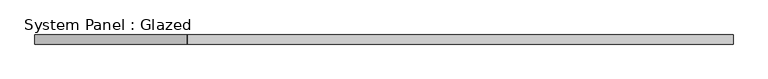
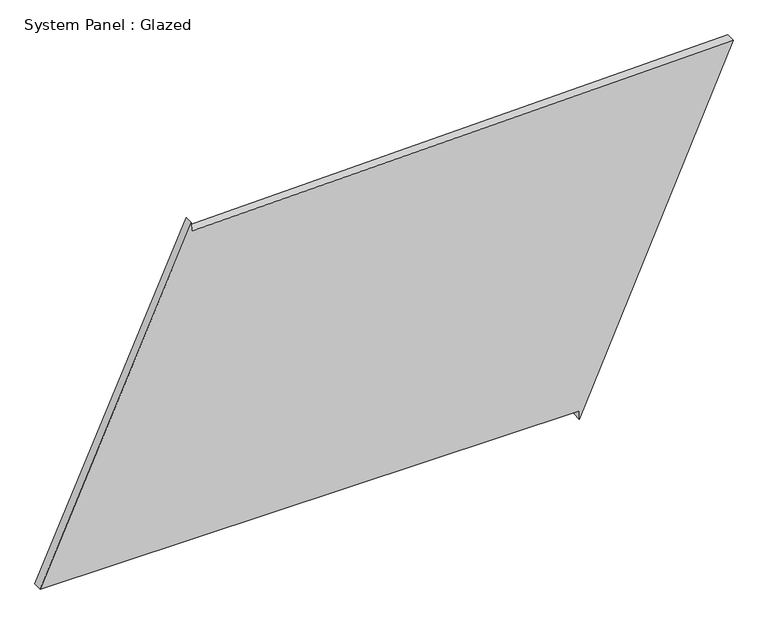
"""IFC4 building model written with IfcOpenShell, lengths in millimetres: plate geometry, System Panel : Glazed."""

from ifc_helpers import new_model, si_unit, frame, origin, place, context, project, spatial, polyline, outline, extrude, source, transform, mapped, element, save


def system_panel_glazed_36cff2f1(model_context):
    return source(origin(), model_context, "Body", "SweptSolid", [
        extrude(outline(polyline([(25.0, 532.9845581), (0.0, 532.9845581), (961.0201909, 958.6166293), (926.4961631, -539.4388393), (951.4895269, -540.0148337), (25.0, -958.6166293), (25.0, 532.9845581)])), frame((0.0, -49.5, 0.0), z_axis=(0.0, 1.0, 0.0), x_axis=(0.0, 0.0, 1.0)), (0.0, 0.0, 1.0), 25.0),
    ])


if __name__ == "__main__":
    model = new_model("IFC4")
    model_context = context("Model", 3, world=origin())
    ifc_project = project(units=[si_unit("LENGTHUNIT", "METRE", prefix="MILLI")], contexts=[model_context])
    site = spatial("IfcSite", under=ifc_project)
    building = spatial("IfcBuilding", under=site)
    placement = place(None, origin())
    system_panel_glazed_shape = system_panel_glazed_36cff2f1(model_context)
    element("IfcPlate", 1, ObjectType="System Panel : Glazed", at=placement, inside=building, context=model_context, shape_type="MappedRepresentation", body=[
        mapped(system_panel_glazed_shape, transform((0.0, 0.0, 0.0), x_axis=(1.0, 0.0, 0.0), y_axis=(0.0, 1.0, 0.0), z_axis=(0.0, 0.0, 1.0))),
    ])
    save(model, "model.ifc")
